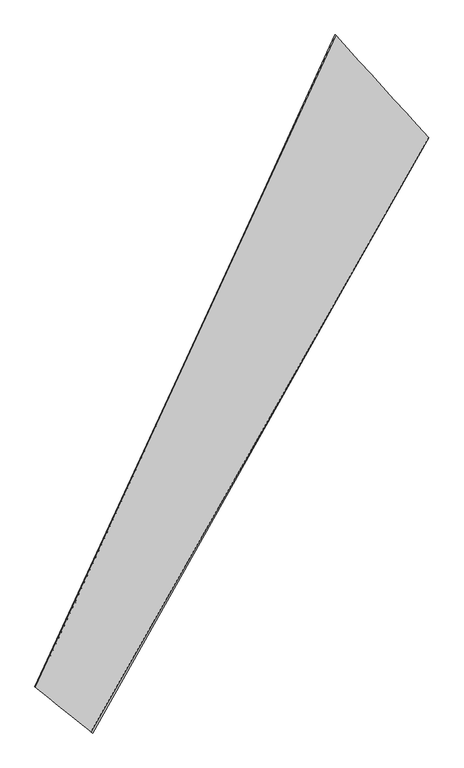
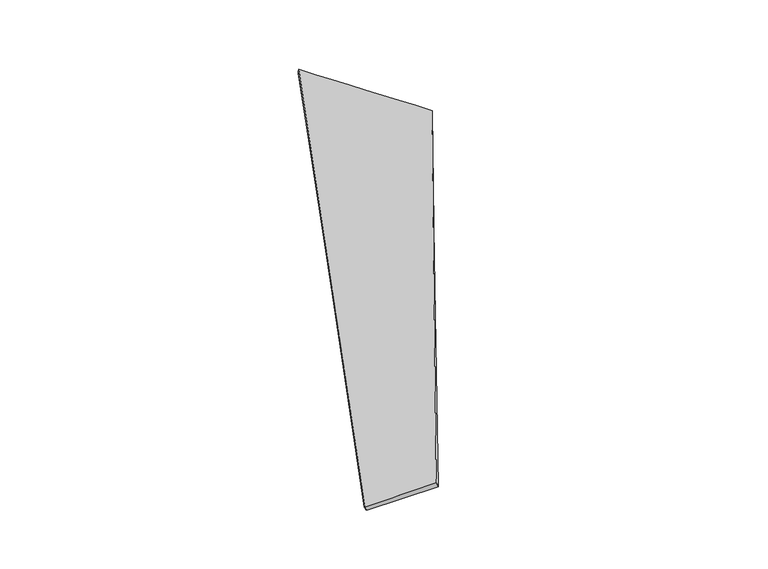
"""IFC4 building model written with IfcOpenShell, lengths in millimetres: proxy geometry."""

from ifc_helpers import new_model, si_unit, origin, place, context, project, spatial, source, transform, mapped, element, save
from ifc_brep_helpers import spline_surface, advanced_brep


def generic_models_e1d8c710(model_context):
    return source(origin(), model_context, "Body", "AdvancedBrep", [
        advanced_brep(
        [(-740.9004818, -1876.9478873, 115.4308924), (-729.9173575, -1884.5114858, 88.5578025), (1348.9339473, 1800.2884658, -92.8399397), (1353.5297853, 1799.1095772, -63.2175074), (-1074.7474542, -1601.4127981, -139.7417527), (772.1337355, 2437.0419469, 31.6594715), (-1088.3597583, -1596.2546591, -113.5101157), (775.7304549, 2434.0929692, 61.2967308)],
        [
            (0, 1),
            (1, 2),
            (2, 3),
            (3, 0),
            (1, 4),
            (4, 5),
            (5, 2),
            (4, 6),
            (6, 7),
            (7, 5),
            (6, 0),
            (3, 7),
        ],
        [
            spline_surface(1, 1, [[(-740.9004818, -1876.9478873, 115.4308924), (1353.5297853, 1799.1095772, -63.2175074)], [(-729.9173575, -1884.5114858, 88.5578025), (1348.9339473, 1800.2884658, -92.8399397)]], [2, 2], [2, 2], [0.0, 1.0], [0.0, 1.0]),
            spline_surface(1, 1, [[(-729.9173575, -1884.5114858, 88.5578025), (1348.9339473, 1800.2884658, -92.8399397)], [(-1074.7474542, -1601.4127981, -139.7417527), (772.1337355, 2437.0419469, 31.6594715)]], [2, 2], [2, 2], [0.0, 1.0], [0.0, 1.0]),
            spline_surface(1, 1, [[(-1074.7474542, -1601.4127981, -139.7417527), (772.1337355, 2437.0419469, 31.6594715)], [(-1088.3597583, -1596.2546591, -113.5101157), (775.7304549, 2434.0929692, 61.2967308)]], [2, 2], [2, 2], [0.0, 1.0], [0.0, 1.0]),
            spline_surface(1, 1, [[(-1088.3597583, -1596.2546591, -113.5101157), (775.7304549, 2434.0929692, 61.2967308)], [(-740.9004818, -1876.9478873, 115.4308924), (1353.5297853, 1799.1095772, -63.2175074)]], [2, 2], [2, 2], [0.0, 1.0], [0.0, 1.0]),
            spline_surface(1, 1, [[(1348.9339473, 1800.2884658, -92.8399397), (1353.5297853, 1799.1095772, -63.2175074)], [(772.1337355, 2437.0419469, 31.6594715), (775.7304549, 2434.0929692, 61.2967308)]], [2, 2], [2, 2], [0.0, 1.0], [0.0, 1.0]),
            spline_surface(1, 1, [[(-1088.3597583, -1596.2546591, -113.5101157), (-740.9004818, -1876.9478873, 115.4308924)], [(-1074.7474542, -1601.4127981, -139.7417527), (-729.9173575, -1884.5114858, 88.5578025)]], [2, 2], [2, 2], [0.0, 1.0], [0.0, 1.0]),
        ],
        [
            (0, [[1, 2, 3, 4]]),
            (1, [[5, 6, 7, -2]]),
            (2, [[8, 9, 10, -6]]),
            (3, [[11, -4, 12, -9]]),
            (4, [[-3, -7, -10, -12]]),
            (5, [[-11, -8, -5, -1]]),
        ],
    ),
    ])


if __name__ == "__main__":
    model = new_model("IFC4")
    model_context = context("Model", 3, world=origin())
    ifc_project = project(units=[si_unit("LENGTHUNIT", "METRE", prefix="MILLI")], contexts=[model_context])
    site = spatial("IfcSite", under=ifc_project)
    building = spatial("IfcBuilding", under=site)
    placement = place(None, origin())
    generic_models_shape = generic_models_e1d8c710(model_context)
    element("IfcBuildingElementProxy", 1, Name="Generic Models", at=placement, inside=building, context=model_context, shape_type="MappedRepresentation", body=[
        mapped(generic_models_shape, transform((0.0, 0.0, 0.0), x_axis=(1.0, 0.0, 0.0), y_axis=(0.0, 1.0, 0.0), z_axis=(0.0, 0.0, 1.0))),
    ])
    save(model, "model.ifc")
